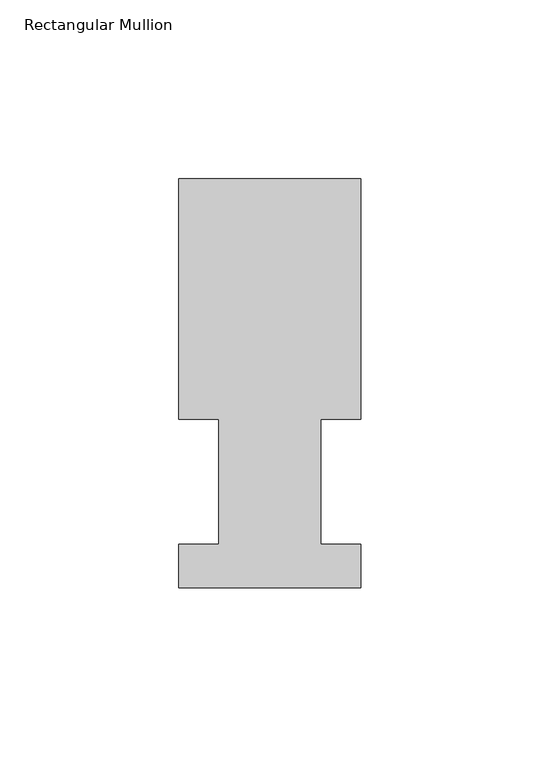
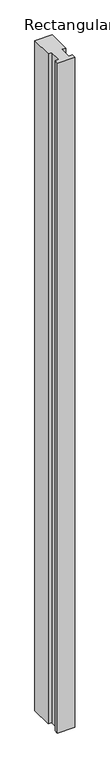
"""IFC4 building model written with IfcOpenShell, lengths in millimetres: member geometry, Rectangular Mullion."""

from ifc_helpers import new_model, si_unit, frame, origin, place, context, project, spatial, polyline, outline, extrude, source, transform, mapped, element, save


def rectangular_mullion_474bb5cd(model_context):
    return source(origin(), model_context, "Body", "SweptSolid", [
        extrude(outline(polyline([(-25.4, 114.252375), (25.4, 114.252375), (25.4, 47.069375), (14.2875, 47.069375), (14.2875, 12.144375), (25.4, 12.144375), (25.4, -0.047625), (-25.4, -0.047625), (-25.4, 12.144375), (-14.2875, 12.144375), (-14.2875, 47.069375), (-25.4, 47.069375), (-25.4, 114.252375)])), frame((0.0, 0.0, -2073.275), z_axis=(0.0, 0.0, 1.0), x_axis=(1.0, 0.0, 0.0)), (0.0, 0.0, 1.0), 2073.275),
    ])


if __name__ == "__main__":
    model = new_model("IFC4")
    model_context = context("Model", 3, world=origin())
    ifc_project = project(units=[si_unit("LENGTHUNIT", "METRE", prefix="MILLI")], contexts=[model_context])
    site = spatial("IfcSite", under=ifc_project)
    building = spatial("IfcBuilding", under=site)
    placement = place(None, origin())
    rectangular_mullion_shape = rectangular_mullion_474bb5cd(model_context)
    element("IfcMember", 1, ObjectType="Rectangular Mullion", at=placement, inside=building, context=model_context, shape_type="MappedRepresentation", body=[
        mapped(rectangular_mullion_shape, transform((0.0, 0.0, 0.0), x_axis=(1.0, 0.0, 0.0), y_axis=(0.0, 1.0, 0.0), z_axis=(0.0, 0.0, 1.0))),
    ])
    save(model, "model.ifc")
